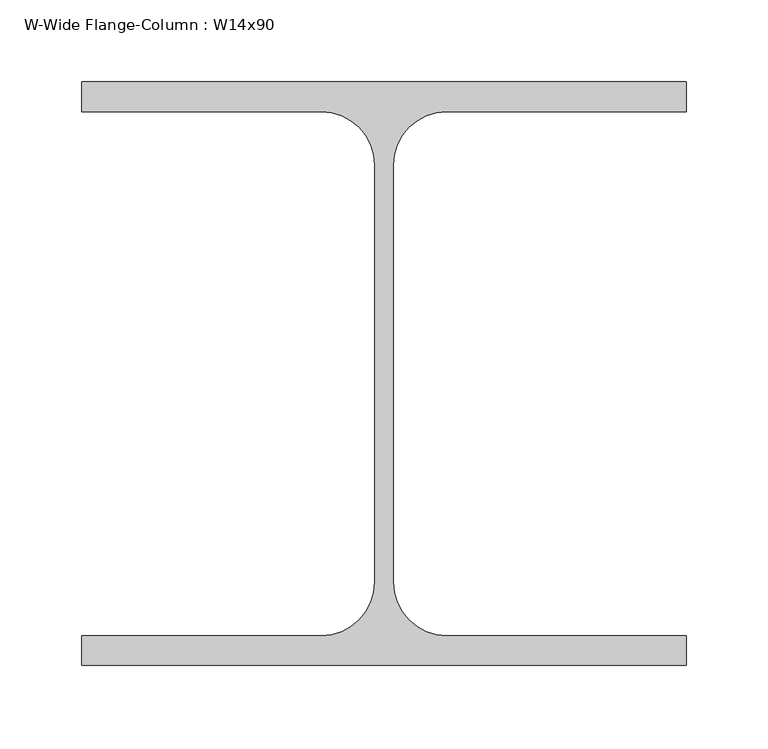
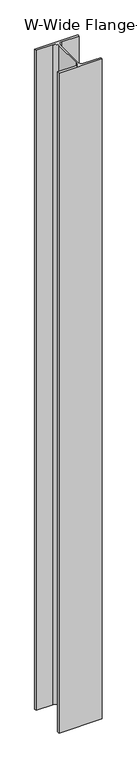
"""IFC4 building model written with IfcOpenShell, lengths in millimetres: column geometry, W-Wide Flange-Column : W14x90."""

from ifc_helpers import new_model, si_unit, point, frame, frame_2d, origin, place, context, project, spatial, polyline, circle_curve, trimmed, segment, composite_curve, outline, extrude, source, transform, mapped, element, save


def w_wide_flange_column_w14x90_b9abaf5e(model_context):
    return source(origin(), model_context, "Body", "SweptSolid", [
        extrude(outline(composite_curve([segment(polyline([(184.15, 177.8), (184.15, 159.766), (38.354, 159.766)]), True, "CONTINUOUS"), segment(trimmed(circle_curve(frame_2d((38.354, 127.0)), 32.766), [point((38.354, 159.766))], [point((5.588, 127.0))], True, "CARTESIAN"), True, "CONTINUOUS"), segment(polyline([(5.588, 127.0), (5.588, -127.0)]), True, "CONTINUOUS"), segment(trimmed(circle_curve(frame_2d((38.354, -127.0)), 32.766), [point((5.588, -127.0))], [point((38.354, -159.766))], True, "CARTESIAN"), True, "CONTINUOUS"), segment(polyline([(38.354, -159.766), (184.15, -159.766), (184.15, -177.8), (-184.15, -177.8), (-184.15, -159.766), (-38.354, -159.766)]), True, "CONTINUOUS"), segment(trimmed(circle_curve(frame_2d((-38.354, -127.0)), 32.766), [point((-38.354, -159.766))], [point((-5.588, -127.0))], True, "CARTESIAN"), True, "CONTINUOUS"), segment(polyline([(-5.588, -127.0), (-5.588, 127.0)]), True, "CONTINUOUS"), segment(trimmed(circle_curve(frame_2d((-38.354, 127.0)), 32.766), [point((-5.588, 127.0))], [point((-38.354, 159.766))], True, "CARTESIAN"), True, "CONTINUOUS"), segment(polyline([(-38.354, 159.766), (-184.15, 159.766), (-184.15, 177.8), (184.15, 177.8)]), True, "CONTINUOUS")], self_intersect=False)), frame((0.0, 0.0, -152.4), z_axis=(0.0, 0.0, 1.0), x_axis=(1.0, 0.0, 0.0)), (0.0, 0.0, 1.0), 5943.6),
    ])


if __name__ == "__main__":
    model = new_model("IFC4")
    model_context = context("Model", 3, world=origin())
    ifc_project = project(units=[si_unit("LENGTHUNIT", "METRE", prefix="MILLI")], contexts=[model_context])
    site = spatial("IfcSite", under=ifc_project)
    building = spatial("IfcBuilding", under=site)
    placement = place(None, origin())
    w_wide_flange_column_w14x90_shape = w_wide_flange_column_w14x90_b9abaf5e(model_context)
    element("IfcColumn", 1, ObjectType="W-Wide Flange-Column : W14x90", at=placement, inside=building, context=model_context, shape_type="MappedRepresentation", body=[
        mapped(w_wide_flange_column_w14x90_shape, transform((0.0, 0.0, 0.0), x_axis=(1.0, 0.0, 0.0), y_axis=(0.0, 1.0, 0.0), z_axis=(0.0, 0.0, 1.0))),
    ])
    save(model, "model.ifc")
